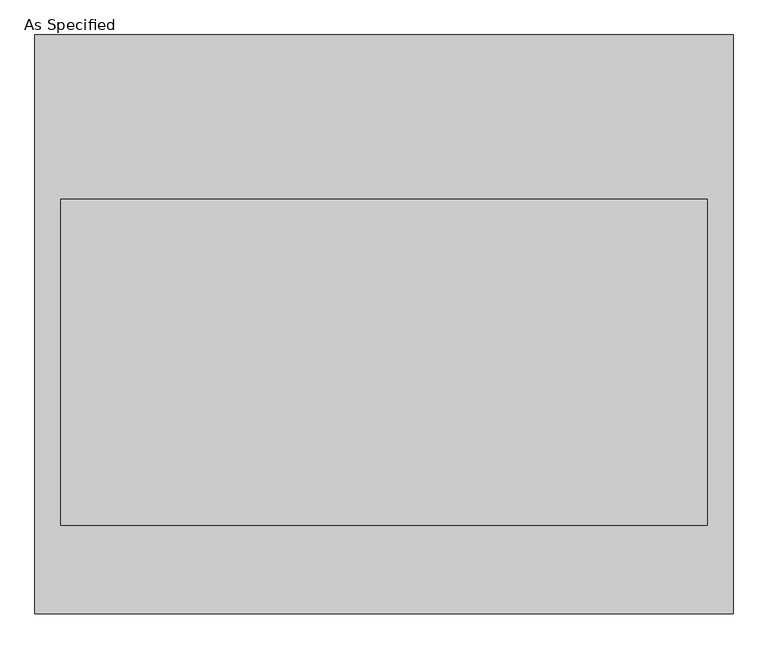
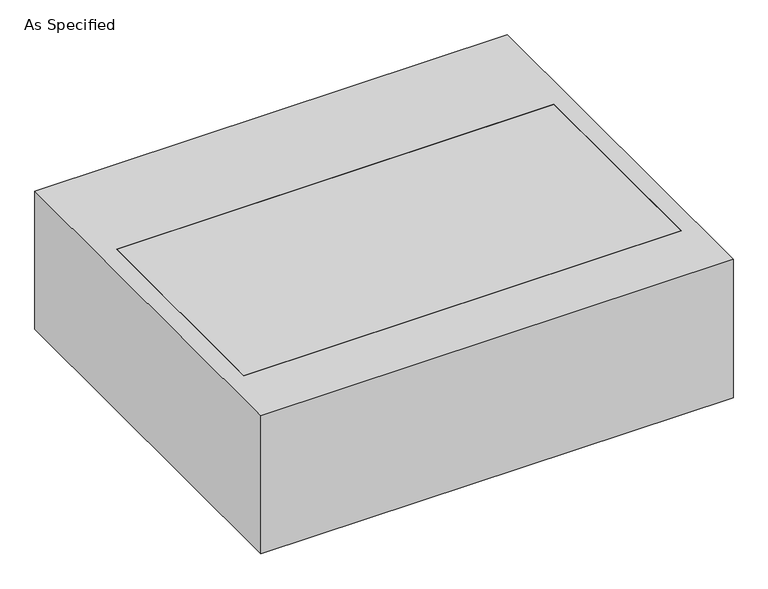
"""IFC4 building model written with IfcOpenShell, lengths in millimetres: proxy geometry, As Specified."""

from ifc_helpers import new_model, si_unit, frame, origin, place, context, project, spatial, polyline, outline, extrude, source, transform, mapped, element, save


def as_specified_37d67f88(model_context):
    return source(origin(), model_context, "Body", "SweptSolid", [
        extrude(outline(polyline([(-815.975, -676.275), (-815.975, 676.275), (815.975, 676.275), (815.975, -676.275), (-815.975, -676.275)]), holes=[polyline([(755.65, 292.1), (-755.65, 292.1), (-755.65, -469.9), (755.65, -469.9), (755.65, 292.1)])]), frame((0.0, 0.0, -530.225), z_axis=(0.0, 0.0, 1.0), x_axis=(1.0, 0.0, 0.0)), (0.0, 0.0, 1.0), 504.825),
        extrude(outline(polyline([(755.65, 292.1), (755.65, -469.9), (-755.65, -469.9), (-755.65, 292.1), (755.65, 292.1)])), frame((0.0, 0.0, -530.225), z_axis=(0.0, 0.0, 1.0), x_axis=(1.0, 0.0, 0.0)), (0.0, 0.0, 1.0), 504.825),
    ])


if __name__ == "__main__":
    model = new_model("IFC4")
    model_context = context("Model", 3, world=origin())
    ifc_project = project(units=[si_unit("LENGTHUNIT", "METRE", prefix="MILLI")], contexts=[model_context])
    site = spatial("IfcSite", under=ifc_project)
    building = spatial("IfcBuilding", under=site)
    placement = place(None, origin())
    as_specified_shape = as_specified_37d67f88(model_context)
    element("IfcBuildingElementProxy", 1, Name="As Specified", ObjectType="As Specified", at=placement, inside=building, context=model_context, shape_type="MappedRepresentation", body=[
        mapped(as_specified_shape, transform((0.0, 0.0, 0.0), x_axis=(1.0, 0.0, 0.0), y_axis=(0.0, 1.0, 0.0), z_axis=(0.0, 0.0, 1.0))),
    ])
    save(model, "model.ifc")
